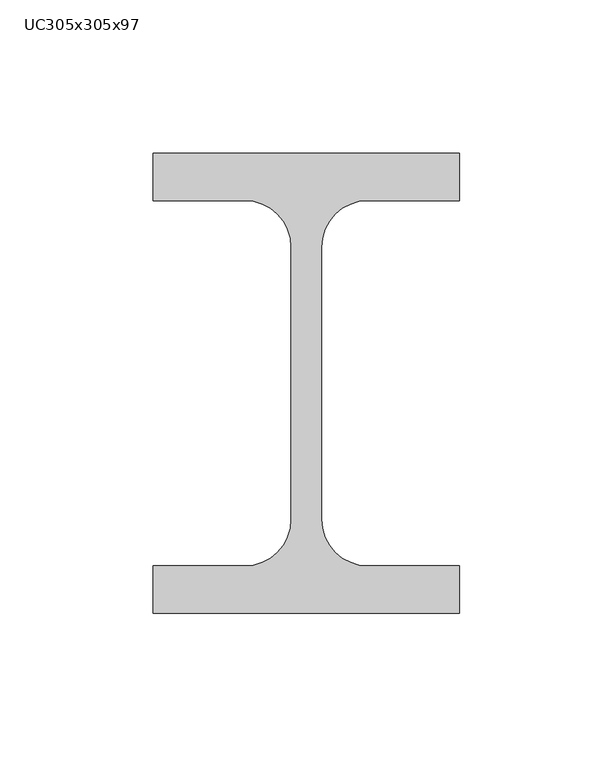
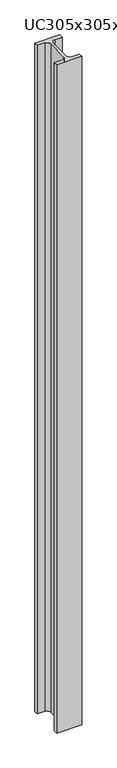
"""IFC4 building model written with IfcOpenShell, lengths in millimetres: column geometry, UC305x305x97."""

from ifc_helpers import new_model, si_unit, point, frame, frame_2d, origin, place, context, project, spatial, polyline, circle_curve, trimmed, segment, composite_curve, outline, extrude, source, transform, mapped, element, save


def uc305x305x97_da73d23c(model_context):
    return source(origin(), model_context, "Body", "SweptSolid", [
        extrude(outline(composite_curve([segment(polyline([(50.0, 75.0), (50.0, 59.6), (20.15, 59.6)]), True, "CONTINUOUS"), segment(trimmed(circle_curve(frame_2d((20.15, 44.4)), 15.2), [point((20.15, 59.6))], [point((4.95, 44.4))], True, "CARTESIAN"), True, "CONTINUOUS"), segment(polyline([(4.95, 44.4), (4.95, -44.4)]), True, "CONTINUOUS"), segment(trimmed(circle_curve(frame_2d((20.15, -44.4)), 15.2), [point((4.95, -44.4))], [point((20.15, -59.6))], True, "CARTESIAN"), True, "CONTINUOUS"), segment(polyline([(20.15, -59.6), (50.0, -59.6), (50.0, -75.0), (-50.0, -75.0), (-50.0, -59.6), (-20.15, -59.6)]), True, "CONTINUOUS"), segment(trimmed(circle_curve(frame_2d((-20.15, -44.4)), 15.2), [point((-20.15, -59.6))], [point((-4.95, -44.4))], True, "CARTESIAN"), True, "CONTINUOUS"), segment(polyline([(-4.95, -44.4), (-4.95, 44.4)]), True, "CONTINUOUS"), segment(trimmed(circle_curve(frame_2d((-20.15, 44.4)), 15.2), [point((-4.95, 44.4))], [point((-20.15, 59.6))], True, "CARTESIAN"), True, "CONTINUOUS"), segment(polyline([(-20.15, 59.6), (-50.0, 59.6), (-50.0, 75.0), (50.0, 75.0)]), True, "CONTINUOUS")], self_intersect=False)), frame((0.0, 0.0, -20.0), z_axis=(0.0, 0.0, 1.0), x_axis=(1.0, 0.0, 0.0)), (0.0, 0.0, 1.0), 2820.0),
    ])


if __name__ == "__main__":
    model = new_model("IFC4")
    model_context = context("Model", 3, world=origin())
    ifc_project = project(units=[si_unit("LENGTHUNIT", "METRE", prefix="MILLI")], contexts=[model_context])
    site = spatial("IfcSite", under=ifc_project)
    building = spatial("IfcBuilding", under=site)
    placement = place(None, origin())
    uc305x305x97_shape = uc305x305x97_da73d23c(model_context)
    element("IfcColumn", 1, ObjectType="UC305x305x97", at=placement, inside=building, context=model_context, shape_type="MappedRepresentation", body=[
        mapped(uc305x305x97_shape, transform((0.0, 0.0, 0.0), x_axis=(1.0, 0.0, 0.0), y_axis=(0.0, 1.0, 0.0), z_axis=(0.0, 0.0, 1.0))),
    ])
    save(model, "model.ifc")
